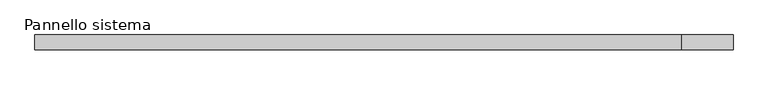
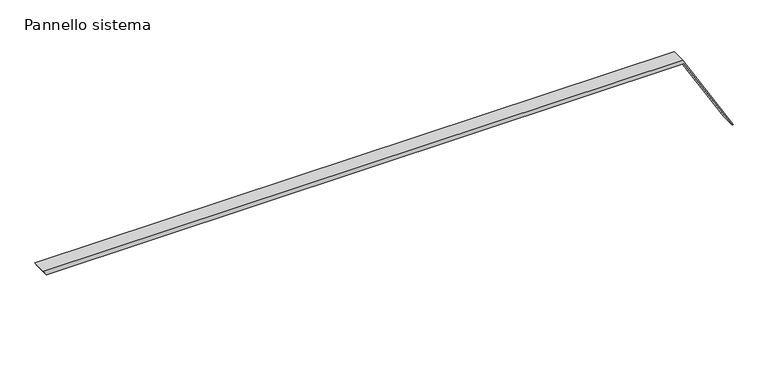
"""IFC4 building model written with IfcOpenShell, lengths in millimetres: plate geometry, Pannello sistema."""

from ifc_helpers import new_model, si_unit, frame, origin, place, context, project, spatial, polyline, outline, extrude, source, transform, mapped, element, save


def pannello_sistema_e29bed01(model_context):
    return source(origin(), model_context, "Body", "SweptSolid", [
        extrude(outline(polyline([(0.0, 580.6643387), (0.9864343, 582.3389718), (145.8434226, 497.0116847), (145.8434226, -582.3389718), (138.3751433, -577.9398191), (138.3751433, 499.1551501), (0.0, 580.6643387)])), frame((0.0, -12.5, 0.0), z_axis=(0.0, 1.0, 0.0), x_axis=(0.0, 0.0, 1.0)), (0.0, 0.0, 1.0), 25.0),
    ])


if __name__ == "__main__":
    model = new_model("IFC4")
    model_context = context("Model", 3, world=origin())
    ifc_project = project(units=[si_unit("LENGTHUNIT", "METRE", prefix="MILLI")], contexts=[model_context])
    site = spatial("IfcSite", under=ifc_project)
    building = spatial("IfcBuilding", under=site)
    placement = place(None, origin())
    pannello_sistema_shape = pannello_sistema_e29bed01(model_context)
    element("IfcPlate", 1, ObjectType="Pannello sistema", at=placement, inside=building, context=model_context, shape_type="MappedRepresentation", body=[
        mapped(pannello_sistema_shape, transform((0.0, 0.0, 0.0), x_axis=(1.0, 0.0, 0.0), y_axis=(0.0, 1.0, 0.0), z_axis=(0.0, 0.0, 1.0))),
    ])
    save(model, "model.ifc")
